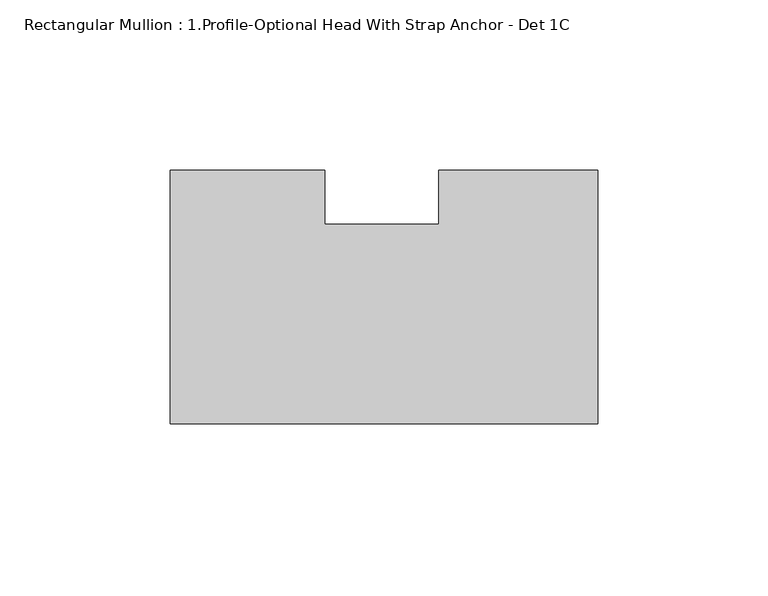
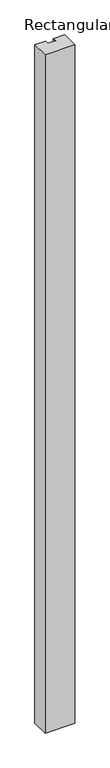
"""IFC4 building model written with IfcOpenShell, lengths in millimetres: member geometry, Rectangular Mullion : 1.Profile-Optional Head With Strap Anchor - Det 1C."""

import ifcopenshell
import ifcopenshell.guid

model = None  # the IFC model being written
_history = None  # IfcOwnerHistory: only IFC2X3 demands one
_inside = {}  # id of a spatial element -> (the spatial element, [elements in it])
_under = {}  # id of a project, library or spatial element -> (it, [spatial elements below it])
_declared = {}  # id of a project -> (the project, [libraries it declares])
_typed = {}  # id of a type object -> (the type object, [elements of that type])
_made_of = {}  # id of a material, layer set ... -> (it, [elements and type objects made of it])


def new_model(schema):
    """Start an empty IFC model of exactly this schema.

    Asked for "IFC4X3", IfcOpenShell would pick the latest addendum, in which some entities
    have other attributes; the version numbers below select the first issue.
    IFC2X3 requires an IfcOwnerHistory on every rooted entity: one is made here for all.
    """
    global model, _history
    if schema == "IFC4X3":
        model = ifcopenshell.file(schema_version=(4, 3, 0, 0))
    else:
        model = ifcopenshell.file(schema=schema)
    _inside.clear()
    _under.clear()
    _declared.clear()
    _typed.clear()
    _made_of.clear()
    _history = None
    if model.schema == "IFC2X3":
        org = make("IfcOrganization", Name="unknown")
        user = make(
            "IfcPersonAndOrganization",
            ThePerson=make("IfcPerson", FamilyName="unknown"),
            TheOrganization=org,
        )
        app = make(
            "IfcApplication",
            ApplicationDeveloper=org,
            Version="unknown",
            ApplicationFullName="unknown",
            ApplicationIdentifier="unknown",
        )
        _history = make(
            "IfcOwnerHistory",
            OwningUser=user,
            OwningApplication=app,
            ChangeAction="ADDED",
            CreationDate=0,
        )
    return model


def make(cls, **values):
    """One entity of the class cls with the attributes given. An attribute that is None is left unset."""
    return model.create_entity(
        cls, **{name: value for name, value in values.items() if value is not None}
    )


def rooted(cls, **values):
    """An entity with a GlobalId (a new one), such as an element, a storey or a relation."""
    return make(cls, GlobalId=ifcopenshell.guid.new(), OwnerHistory=_history, **values)


def si_unit(unit_type, name, prefix=None):
    """IfcSIUnit, for example si_unit("LENGTHUNIT", "METRE", prefix="MILLI")."""
    return make("IfcSIUnit", UnitType=unit_type, Prefix=prefix, Name=name)


def assignment(units):
    """IfcUnitAssignment: the units of a project."""
    return None if units is None else make("IfcUnitAssignment", Units=units)


def point(xyz):
    """IfcCartesianPoint."""
    return None if xyz is None else make("IfcCartesianPoint", Coordinates=xyz)


def direction(xyz):
    """IfcDirection."""
    return None if xyz is None else make("IfcDirection", DirectionRatios=xyz)


def frame(location, z_axis=None, x_axis=None):
    """IfcAxis2Placement3D, a coordinate frame: its origin and axes. An axis left out is left unset."""
    return make(
        "IfcAxis2Placement3D",
        Location=point(location),
        Axis=direction(z_axis),
        RefDirection=direction(x_axis),
    )


def origin():
    """The frame at (0, 0, 0) with its axes left unset."""
    return frame((0.0, 0.0, 0.0))


def place(relative_to, where):
    """IfcLocalPlacement: puts the frame where relative to a parent placement (None: the world)."""
    return make(
        "IfcLocalPlacement", PlacementRelTo=relative_to, RelativePlacement=where
    )


def context(
    kind, dimensions, precision=None, world=None, true_north=None, identifier=None
):
    """IfcGeometricRepresentationContext, for example the 3D "Model" context."""
    return make(
        "IfcGeometricRepresentationContext",
        ContextIdentifier=identifier,
        ContextType=kind,
        CoordinateSpaceDimension=dimensions,
        Precision=precision,
        WorldCoordinateSystem=world,
        TrueNorth=true_north,
    )


def project(units=None, contexts=None):
    """IfcProject with its units and contexts."""
    return rooted(
        "IfcProject",
        Name="project",
        RepresentationContexts=contexts,
        UnitsInContext=assignment(units),
    )


def spatial(cls, under=None, at=None, **own):
    """A site, building, storey or space (cls), placed at a placement, below another one or the project."""
    s = rooted(cls, ObjectPlacement=at, **own)
    if under is not None:
        _under.setdefault(under.id(), (under, []))[1].append(s)
    return s


def polyline(points):
    """IfcPolyline through the points."""
    return make("IfcPolyline", Points=[point(p) for p in points])


def outline(outer, holes=None, kind="AREA"):
    """IfcArbitraryClosedProfileDef: a profile drawn as a closed curve; with holes, ...WithVoids."""
    if holes is None:
        return make("IfcArbitraryClosedProfileDef", ProfileType=kind, OuterCurve=outer)
    return make(
        "IfcArbitraryProfileDefWithVoids",
        ProfileType=kind,
        OuterCurve=outer,
        InnerCurves=holes,
    )


def extrude(swept, where, along, depth):
    """IfcExtrudedAreaSolid: the profile swept, set in the frame where, extruded along a direction by depth."""
    return make(
        "IfcExtrudedAreaSolid",
        SweptArea=swept,
        Position=where,
        ExtrudedDirection=direction(along),
        Depth=depth,
    )


def shape(context_of_items, identifier, shape_type, items):
    """IfcShapeRepresentation: the items that make up one representation, for example the "Body"."""
    return make(
        "IfcShapeRepresentation",
        ContextOfItems=context_of_items,
        RepresentationIdentifier=identifier,
        RepresentationType=shape_type,
        Items=items,
    )


def source(mapping_origin, context_of_items, identifier, shape_type, items):
    """IfcRepresentationMap: a shape defined once, which mapped items show again and again."""
    return make(
        "IfcRepresentationMap",
        MappingOrigin=mapping_origin,
        MappedRepresentation=shape(context_of_items, identifier, shape_type, items),
    )


def transform(
    local_origin,
    x_axis=None,
    y_axis=None,
    z_axis=None,
    scale=None,
    scale2=None,
    scale3=None,
    uniform=True,
):
    """IfcCartesianTransformationOperator3D, or its non-uniform kind. x_axis, y_axis, z_axis: its Axis1, 2, 3."""
    if uniform:
        return make(
            "IfcCartesianTransformationOperator3D",
            Axis1=direction(x_axis),
            Axis2=direction(y_axis),
            LocalOrigin=point(local_origin),
            Scale=scale,
            Axis3=direction(z_axis),
        )
    return make(
        "IfcCartesianTransformationOperator3DnonUniform",
        Axis1=direction(x_axis),
        Axis2=direction(y_axis),
        LocalOrigin=point(local_origin),
        Scale=scale,
        Axis3=direction(z_axis),
        Scale2=scale2,
        Scale3=scale3,
    )


def mapped(mapping_source, mapping_target):
    """IfcMappedItem: shows the shape of a source again, moved by a transform."""
    return make(
        "IfcMappedItem", MappingSource=mapping_source, MappingTarget=mapping_target
    )


def made_of(thing, what):
    """Note that an element or type object is made of a material, layer set ...; save() writes the relation."""
    if what is not None:
        _made_of.setdefault(what.id(), (what, []))[1].append(thing)
    return thing


def element(
    cls,
    number,
    at=None,
    inside=None,
    cuts=None,
    type_object=None,
    material=None,
    context=None,
    identifier="Body",
    shape_type=None,
    held_by="IfcProductDefinitionShape",
    body=None,
    shapes=None,
    **own,
):
    """One element of the class cls, such as IfcWall. Its Tag is "e" and its number.

    at: its placement. inside: the storey or other place that contains it. cuts: it is an
    opening in that element (IfcRelVoidsElement). A single representation is given by context,
    identifier, shape_type and body (its items); several are given by shapes. held_by: the class
    of the entity that holds the representations. save() writes the other relations.
    """
    e = rooted(cls, Tag="e%d" % number, ObjectPlacement=at, **own)
    if body is not None:
        shapes = [shape(context, identifier, shape_type, body)]
    if shapes is not None:
        e.Representation = make(held_by, Representations=shapes)
    if inside is not None:
        _inside.setdefault(inside.id(), (inside, []))[1].append(e)
    if cuts is not None:
        rooted(
            "IfcRelVoidsElement", RelatingBuildingElement=cuts, RelatedOpeningElement=e
        )
    if type_object is not None:
        _typed.setdefault(type_object.id(), (type_object, []))[1].append(e)
    return made_of(e, material)


def aggregate(whole, parts):
    """IfcRelAggregates: a whole, such as a stair, and the parts it consists of."""
    return rooted("IfcRelAggregates", RelatingObject=whole, RelatedObjects=parts)


def save(model, path):
    """Write the relations noted so far, then the file.

    IfcRelAggregates (storeys below a building ...), IfcRelContainedInSpatialStructure (elements
    in a storey), IfcRelDefinesByType, IfcRelAssociatesMaterial and IfcRelDeclares: one each for
    every whole, place, type object, material and project.
    """
    for whole, parts in _under.values():
        aggregate(whole, parts)
    for where, things in _inside.values():
        rooted(
            "IfcRelContainedInSpatialStructure",
            RelatedElements=things,
            RelatingStructure=where,
        )
    for kind, things in _typed.values():
        rooted("IfcRelDefinesByType", RelatedObjects=things, RelatingType=kind)
    for what, things in _made_of.values():
        rooted("IfcRelAssociatesMaterial", RelatedObjects=things, RelatingMaterial=what)
    for by, libraries in _declared.values():
        rooted("IfcRelDeclares", RelatingContext=by, RelatedDefinitions=libraries)
    model.write(path)


def rectangular_mullion_1_profile_optional_head_with_strap_bbdd64ba(model_context):
    return source(origin(), model_context, "Body", "SweptSolid", [
        extrude(outline(polyline([(-125.7808, -39.6875), (-125.7808, 34.925), (-80.2361209, 34.925), (-80.2361209, 19.05), (-46.8490799, 19.05), (-46.8490799, 34.925), (0.0, 34.925), (0.0, -39.6875), (-125.7808, -39.6875)])), frame((0.0, 0.0, -3048.0), z_axis=(0.0, 0.0, 1.0), x_axis=(1.0, 0.0, 0.0)), (0.0, 0.0, 1.0), 3048.0),
    ])


if __name__ == "__main__":
    model = new_model("IFC4")
    model_context = context("Model", 3, world=origin())
    ifc_project = project(units=[si_unit("LENGTHUNIT", "METRE", prefix="MILLI")], contexts=[model_context])
    site = spatial("IfcSite", under=ifc_project)
    building = spatial("IfcBuilding", under=site)
    placement = place(None, origin())
    rectangular_mullion_1_profile_optional_head_with_strap_shape = rectangular_mullion_1_profile_optional_head_with_strap_bbdd64ba(model_context)
    element("IfcMember", 1, ObjectType="Rectangular Mullion : 1.Profile-Optional Head With Strap Anchor - Det 1C", at=placement, inside=building, context=model_context, shape_type="MappedRepresentation", body=[
        mapped(rectangular_mullion_1_profile_optional_head_with_strap_shape, transform((0.0, 0.0, 0.0), x_axis=(1.0, 0.0, 0.0), y_axis=(0.0, 1.0, 0.0), z_axis=(0.0, 0.0, 1.0))),
    ])
    save(model, "model.ifc")
